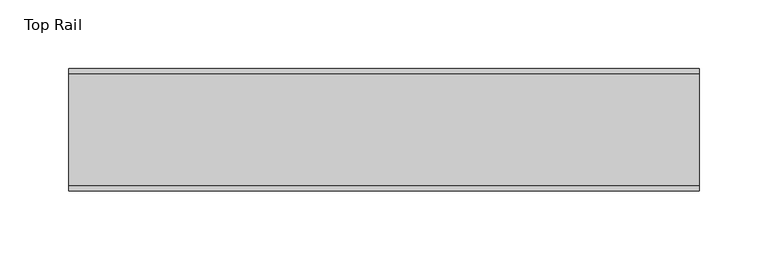
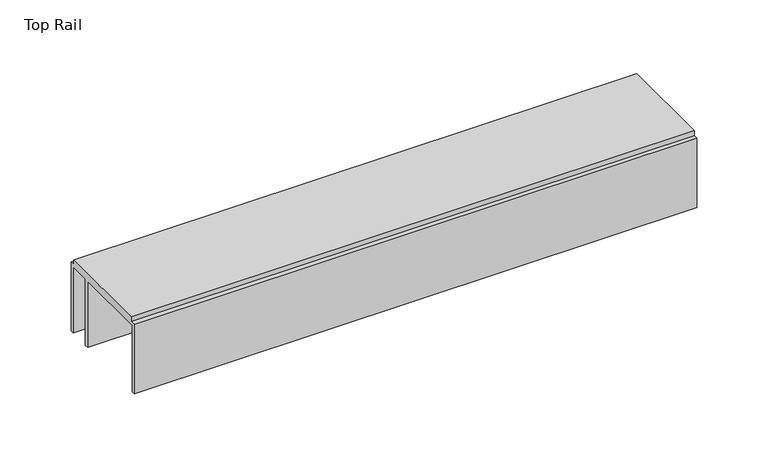
"""IFC4 building model written with IfcOpenShell, lengths in millimetres: furniture geometry, Top Rail."""

import ifcopenshell
import ifcopenshell.guid

model = None  # the IFC model being written
_history = None  # IfcOwnerHistory: only IFC2X3 demands one
_inside = {}  # id of a spatial element -> (the spatial element, [elements in it])
_under = {}  # id of a project, library or spatial element -> (it, [spatial elements below it])
_declared = {}  # id of a project -> (the project, [libraries it declares])
_typed = {}  # id of a type object -> (the type object, [elements of that type])
_made_of = {}  # id of a material, layer set ... -> (it, [elements and type objects made of it])


def new_model(schema):
    """Start an empty IFC model of exactly this schema.

    Asked for "IFC4X3", IfcOpenShell would pick the latest addendum, in which some entities
    have other attributes; the version numbers below select the first issue.
    IFC2X3 requires an IfcOwnerHistory on every rooted entity: one is made here for all.
    """
    global model, _history
    if schema == "IFC4X3":
        model = ifcopenshell.file(schema_version=(4, 3, 0, 0))
    else:
        model = ifcopenshell.file(schema=schema)
    _inside.clear()
    _under.clear()
    _declared.clear()
    _typed.clear()
    _made_of.clear()
    _history = None
    if model.schema == "IFC2X3":
        org = make("IfcOrganization", Name="unknown")
        user = make(
            "IfcPersonAndOrganization",
            ThePerson=make("IfcPerson", FamilyName="unknown"),
            TheOrganization=org,
        )
        app = make(
            "IfcApplication",
            ApplicationDeveloper=org,
            Version="unknown",
            ApplicationFullName="unknown",
            ApplicationIdentifier="unknown",
        )
        _history = make(
            "IfcOwnerHistory",
            OwningUser=user,
            OwningApplication=app,
            ChangeAction="ADDED",
            CreationDate=0,
        )
    return model


def make(cls, **values):
    """One entity of the class cls with the attributes given. An attribute that is None is left unset."""
    return model.create_entity(
        cls, **{name: value for name, value in values.items() if value is not None}
    )


def rooted(cls, **values):
    """An entity with a GlobalId (a new one), such as an element, a storey or a relation."""
    return make(cls, GlobalId=ifcopenshell.guid.new(), OwnerHistory=_history, **values)


def si_unit(unit_type, name, prefix=None):
    """IfcSIUnit, for example si_unit("LENGTHUNIT", "METRE", prefix="MILLI")."""
    return make("IfcSIUnit", UnitType=unit_type, Prefix=prefix, Name=name)


def assignment(units):
    """IfcUnitAssignment: the units of a project."""
    return None if units is None else make("IfcUnitAssignment", Units=units)


def point(xyz):
    """IfcCartesianPoint."""
    return None if xyz is None else make("IfcCartesianPoint", Coordinates=xyz)


def direction(xyz):
    """IfcDirection."""
    return None if xyz is None else make("IfcDirection", DirectionRatios=xyz)


def frame(location, z_axis=None, x_axis=None):
    """IfcAxis2Placement3D, a coordinate frame: its origin and axes. An axis left out is left unset."""
    return make(
        "IfcAxis2Placement3D",
        Location=point(location),
        Axis=direction(z_axis),
        RefDirection=direction(x_axis),
    )


def origin():
    """The frame at (0, 0, 0) with its axes left unset."""
    return frame((0.0, 0.0, 0.0))


def place(relative_to, where):
    """IfcLocalPlacement: puts the frame where relative to a parent placement (None: the world)."""
    return make(
        "IfcLocalPlacement", PlacementRelTo=relative_to, RelativePlacement=where
    )


def context(
    kind, dimensions, precision=None, world=None, true_north=None, identifier=None
):
    """IfcGeometricRepresentationContext, for example the 3D "Model" context."""
    return make(
        "IfcGeometricRepresentationContext",
        ContextIdentifier=identifier,
        ContextType=kind,
        CoordinateSpaceDimension=dimensions,
        Precision=precision,
        WorldCoordinateSystem=world,
        TrueNorth=true_north,
    )


def project(units=None, contexts=None):
    """IfcProject with its units and contexts."""
    return rooted(
        "IfcProject",
        Name="project",
        RepresentationContexts=contexts,
        UnitsInContext=assignment(units),
    )


def spatial(cls, under=None, at=None, **own):
    """A site, building, storey or space (cls), placed at a placement, below another one or the project."""
    s = rooted(cls, ObjectPlacement=at, **own)
    if under is not None:
        _under.setdefault(under.id(), (under, []))[1].append(s)
    return s


def polyline(points):
    """IfcPolyline through the points."""
    return make("IfcPolyline", Points=[point(p) for p in points])


def outline(outer, holes=None, kind="AREA"):
    """IfcArbitraryClosedProfileDef: a profile drawn as a closed curve; with holes, ...WithVoids."""
    if holes is None:
        return make("IfcArbitraryClosedProfileDef", ProfileType=kind, OuterCurve=outer)
    return make(
        "IfcArbitraryProfileDefWithVoids",
        ProfileType=kind,
        OuterCurve=outer,
        InnerCurves=holes,
    )


def extrude(swept, where, along, depth):
    """IfcExtrudedAreaSolid: the profile swept, set in the frame where, extruded along a direction by depth."""
    return make(
        "IfcExtrudedAreaSolid",
        SweptArea=swept,
        Position=where,
        ExtrudedDirection=direction(along),
        Depth=depth,
    )


def shape(context_of_items, identifier, shape_type, items):
    """IfcShapeRepresentation: the items that make up one representation, for example the "Body"."""
    return make(
        "IfcShapeRepresentation",
        ContextOfItems=context_of_items,
        RepresentationIdentifier=identifier,
        RepresentationType=shape_type,
        Items=items,
    )


def source(mapping_origin, context_of_items, identifier, shape_type, items):
    """IfcRepresentationMap: a shape defined once, which mapped items show again and again."""
    return make(
        "IfcRepresentationMap",
        MappingOrigin=mapping_origin,
        MappedRepresentation=shape(context_of_items, identifier, shape_type, items),
    )


def transform(
    local_origin,
    x_axis=None,
    y_axis=None,
    z_axis=None,
    scale=None,
    scale2=None,
    scale3=None,
    uniform=True,
):
    """IfcCartesianTransformationOperator3D, or its non-uniform kind. x_axis, y_axis, z_axis: its Axis1, 2, 3."""
    if uniform:
        return make(
            "IfcCartesianTransformationOperator3D",
            Axis1=direction(x_axis),
            Axis2=direction(y_axis),
            LocalOrigin=point(local_origin),
            Scale=scale,
            Axis3=direction(z_axis),
        )
    return make(
        "IfcCartesianTransformationOperator3DnonUniform",
        Axis1=direction(x_axis),
        Axis2=direction(y_axis),
        LocalOrigin=point(local_origin),
        Scale=scale,
        Axis3=direction(z_axis),
        Scale2=scale2,
        Scale3=scale3,
    )


def mapped(mapping_source, mapping_target):
    """IfcMappedItem: shows the shape of a source again, moved by a transform."""
    return make(
        "IfcMappedItem", MappingSource=mapping_source, MappingTarget=mapping_target
    )


def made_of(thing, what):
    """Note that an element or type object is made of a material, layer set ...; save() writes the relation."""
    if what is not None:
        _made_of.setdefault(what.id(), (what, []))[1].append(thing)
    return thing


def element(
    cls,
    number,
    at=None,
    inside=None,
    cuts=None,
    type_object=None,
    material=None,
    context=None,
    identifier="Body",
    shape_type=None,
    held_by="IfcProductDefinitionShape",
    body=None,
    shapes=None,
    **own,
):
    """One element of the class cls, such as IfcWall. Its Tag is "e" and its number.

    at: its placement. inside: the storey or other place that contains it. cuts: it is an
    opening in that element (IfcRelVoidsElement). A single representation is given by context,
    identifier, shape_type and body (its items); several are given by shapes. held_by: the class
    of the entity that holds the representations. save() writes the other relations.
    """
    e = rooted(cls, Tag="e%d" % number, ObjectPlacement=at, **own)
    if body is not None:
        shapes = [shape(context, identifier, shape_type, body)]
    if shapes is not None:
        e.Representation = make(held_by, Representations=shapes)
    if inside is not None:
        _inside.setdefault(inside.id(), (inside, []))[1].append(e)
    if cuts is not None:
        rooted(
            "IfcRelVoidsElement", RelatingBuildingElement=cuts, RelatedOpeningElement=e
        )
    if type_object is not None:
        _typed.setdefault(type_object.id(), (type_object, []))[1].append(e)
    return made_of(e, material)


def aggregate(whole, parts):
    """IfcRelAggregates: a whole, such as a stair, and the parts it consists of."""
    return rooted("IfcRelAggregates", RelatingObject=whole, RelatedObjects=parts)


def save(model, path):
    """Write the relations noted so far, then the file.

    IfcRelAggregates (storeys below a building ...), IfcRelContainedInSpatialStructure (elements
    in a storey), IfcRelDefinesByType, IfcRelAssociatesMaterial and IfcRelDeclares: one each for
    every whole, place, type object, material and project.
    """
    for whole, parts in _under.values():
        aggregate(whole, parts)
    for where, things in _inside.values():
        rooted(
            "IfcRelContainedInSpatialStructure",
            RelatedElements=things,
            RelatingStructure=where,
        )
    for kind, things in _typed.values():
        rooted("IfcRelDefinesByType", RelatedObjects=things, RelatingType=kind)
    for what, things in _made_of.values():
        rooted("IfcRelAssociatesMaterial", RelatedObjects=things, RelatingMaterial=what)
    for by, libraries in _declared.values():
        rooted("IfcRelDeclares", RelatingContext=by, RelatedDefinitions=libraries)
    model.write(path)


def top_rail_e8a47edd(model_context):
    return source(origin(), model_context, "Body", "SweptSolid", [
        extrude(outline(polyline([(59.951805, -4.0000001), (59.951805, -63.5), (57.1518064, -63.5), (57.1518064, -6.6000002), (39.7518058, -6.6000002), (39.7518058, -63.5), (36.4518057, -63.5), (36.4518057, -6.6000002), (-26.1481963, -6.6000002), (-26.1481963, -63.5), (-28.948195, -63.5), (-28.948195, -4.0000001), (-24.9481962, -4.0000001), (-24.9481962, 0.0), (55.9518063, 0.0), (55.9518063, -4.0000001), (59.951805, -4.0000001)])), frame((-198.6228469, 0.0, 0.0), z_axis=(1.0, 0.0, 0.0), x_axis=(0.0, 1.0, 0.0)), (0.0, 0.0, 1.0), 457.2),
    ])


if __name__ == "__main__":
    model = new_model("IFC4")
    model_context = context("Model", 3, world=origin())
    ifc_project = project(units=[si_unit("LENGTHUNIT", "METRE", prefix="MILLI")], contexts=[model_context])
    site = spatial("IfcSite", under=ifc_project)
    building = spatial("IfcBuilding", under=site)
    placement = place(None, origin())
    top_rail_shape = top_rail_e8a47edd(model_context)
    element("IfcFurniture", 1, ObjectType="Top Rail", at=placement, inside=building, context=model_context, shape_type="MappedRepresentation", body=[
        mapped(top_rail_shape, transform((0.0, 0.0, 0.0), x_axis=(1.0, 0.0, 0.0), y_axis=(0.0, 1.0, 0.0), z_axis=(0.0, 0.0, 1.0))),
    ])
    save(model, "model.ifc")
